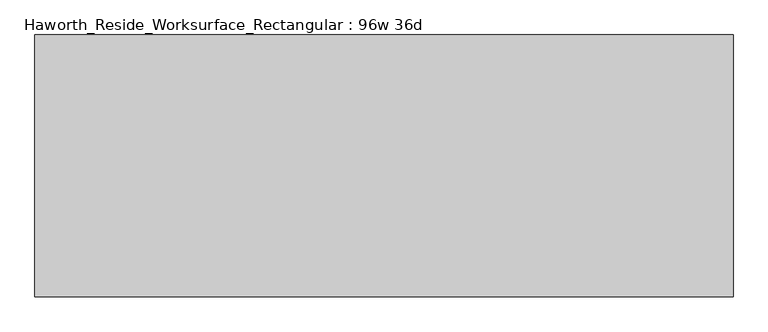
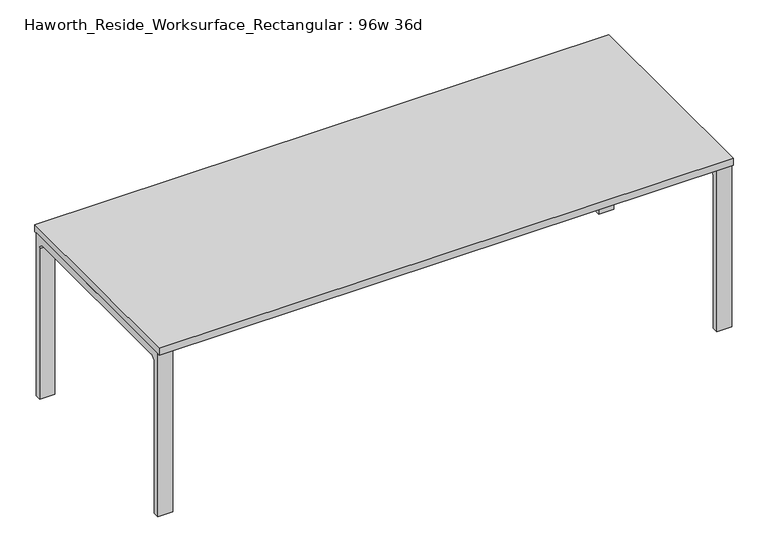
"""IFC4 building model written with IfcOpenShell, lengths in millimetres: furniture geometry, Haworth_Reside_Worksurface_Rectangular : 96w 36d."""

from ifc_helpers import new_model, si_unit, point, frame, frame_2d, origin, place, context, project, spatial, polyline, circle_curve, trimmed, segment, composite_curve, outline, extrude, source, transform, mapped, element, save


def haworth_reside_worksurface_rectangular_96w_36d_11ad78c3(model_context):
    return source(origin(), model_context, "Body", "SweptSolid", [
        extrude(outline(composite_curve([segment(trimmed(circle_curve(frame_2d((396.875, 676.275)), 25.4), [point((422.275, 676.275))], [point((396.875, 701.675))], True, "CARTESIAN"), True, "CONTINUOUS"), segment(polyline([(396.875, 701.675), (-396.875, 701.675)]), True, "CONTINUOUS"), segment(trimmed(circle_curve(frame_2d((-396.875, 676.275)), 25.4), [point((-396.875, 701.675))], [point((-422.275, 676.275))], True, "CARTESIAN"), True, "CONTINUOUS"), segment(polyline([(-422.275, 676.275), (-422.275, 0.0), (-447.675, 0.0), (-447.675, 731.8375), (447.675, 731.8375), (447.675, 0.0), (422.275, 0.0), (422.275, 676.275)]), True, "CONTINUOUS")], self_intersect=False)), frame((1155.7, 0.0, 0.0), z_axis=(1.0, 0.0, 0.0), x_axis=(0.0, 1.0, 0.0)), (0.0, 0.0, 1.0), 63.5),
        extrude(outline(composite_curve([segment(trimmed(circle_curve(frame_2d((396.875, 676.275)), 25.4), [point((422.275, 676.275))], [point((396.875, 701.675))], True, "CARTESIAN"), True, "CONTINUOUS"), segment(polyline([(396.875, 701.675), (-396.875, 701.675)]), True, "CONTINUOUS"), segment(trimmed(circle_curve(frame_2d((-396.875, 676.275)), 25.4), [point((-396.875, 701.675))], [point((-422.275, 676.275))], True, "CARTESIAN"), True, "CONTINUOUS"), segment(polyline([(-422.275, 676.275), (-422.275, 0.0), (-447.675, 0.0), (-447.675, 731.8375), (447.675, 731.8375), (447.675, 0.0), (422.275, 0.0), (422.275, 676.275)]), True, "CONTINUOUS")], self_intersect=False)), frame((-1219.2, 0.0, 0.0), z_axis=(1.0, 0.0, 0.0), x_axis=(0.0, 1.0, 0.0)), (0.0, 0.0, 1.0), 63.5),
        extrude(outline(polyline([(1219.2, 457.2), (1219.2, -457.2), (-1219.2, -457.2), (-1219.2, 457.2), (1219.2, 457.2)])), frame((0.0, 0.0, 731.8375), z_axis=(0.0, 0.0, 1.0), x_axis=(1.0, 0.0, 0.0)), (0.0, 0.0, 1.0), 30.1625),
    ])


if __name__ == "__main__":
    model = new_model("IFC4")
    model_context = context("Model", 3, world=origin())
    ifc_project = project(units=[si_unit("LENGTHUNIT", "METRE", prefix="MILLI")], contexts=[model_context])
    site = spatial("IfcSite", under=ifc_project)
    building = spatial("IfcBuilding", under=site)
    placement = place(None, origin())
    haworth_reside_worksurface_rectangular_96w_36d_shape = haworth_reside_worksurface_rectangular_96w_36d_11ad78c3(model_context)
    element("IfcFurniture", 1, ObjectType="Haworth_Reside_Worksurface_Rectangular : 96w 36d", at=placement, inside=building, context=model_context, shape_type="MappedRepresentation", body=[
        mapped(haworth_reside_worksurface_rectangular_96w_36d_shape, transform((0.0, 0.0, 0.0), x_axis=(1.0, 0.0, 0.0), y_axis=(0.0, 1.0, 0.0), z_axis=(0.0, 0.0, 1.0))),
    ])
    save(model, "model.ifc")
